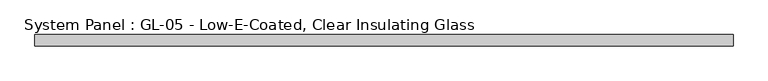
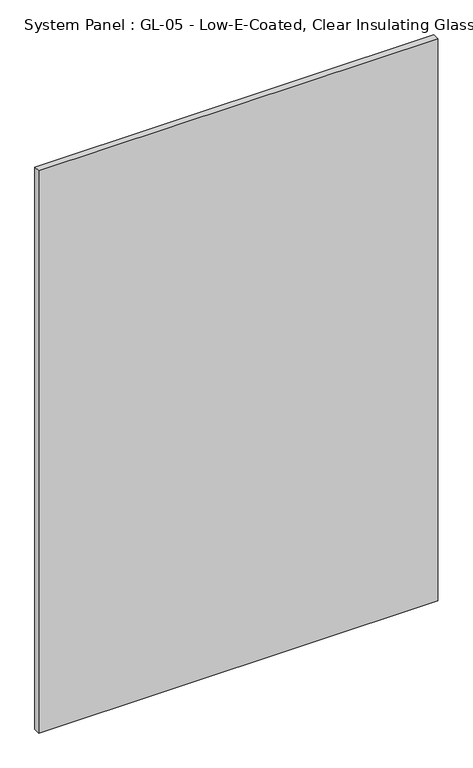
"""IFC4 building model written with IfcOpenShell, lengths in millimetres: plate geometry, System Panel : GL-05 - Low-E-Coated, Clear Insulating Glass."""

from ifc_helpers import new_model, si_unit, origin, origin_with_axes, place, context, project, spatial, polyline, outline, extrude, source, transform, mapped, element, save


def system_panel_gl_05_low_e_coated_clear_insulating_glass_629cf32b(model_context):
    return source(origin(), model_context, "Body", "SweptSolid", [
        extrude(outline(polyline([(784.225, -12.7), (-784.225, -12.7), (-784.225, 12.7), (784.225, 12.7), (784.225, -12.7)])), origin_with_axes(), (0.0, 0.0, 1.0), 2336.8),
    ])


if __name__ == "__main__":
    model = new_model("IFC4")
    model_context = context("Model", 3, world=origin())
    ifc_project = project(units=[si_unit("LENGTHUNIT", "METRE", prefix="MILLI")], contexts=[model_context])
    site = spatial("IfcSite", under=ifc_project)
    building = spatial("IfcBuilding", under=site)
    placement = place(None, origin())
    system_panel_gl_05_low_e_coated_clear_insulating_glass_shape = system_panel_gl_05_low_e_coated_clear_insulating_glass_629cf32b(model_context)
    element("IfcPlate", 1, ObjectType="System Panel : GL-05 - Low-E-Coated, Clear Insulating Glass", at=placement, inside=building, context=model_context, shape_type="MappedRepresentation", body=[
        mapped(system_panel_gl_05_low_e_coated_clear_insulating_glass_shape, transform((0.0, 0.0, 0.0), x_axis=(1.0, 0.0, 0.0), y_axis=(0.0, 1.0, 0.0), z_axis=(0.0, 0.0, 1.0))),
    ])
    save(model, "model.ifc")
